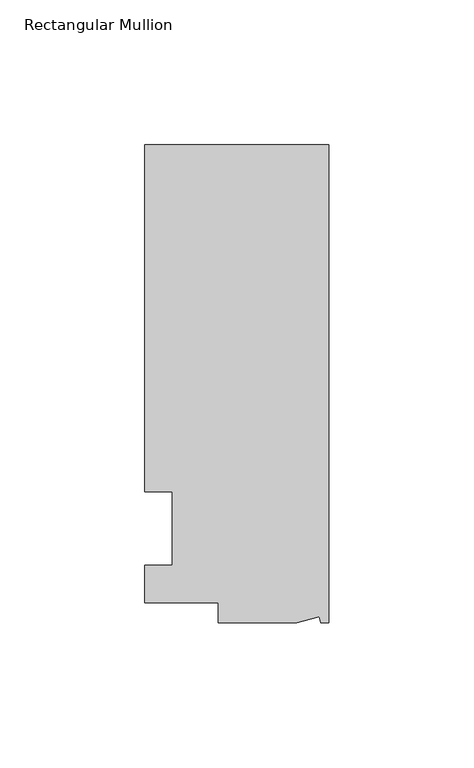
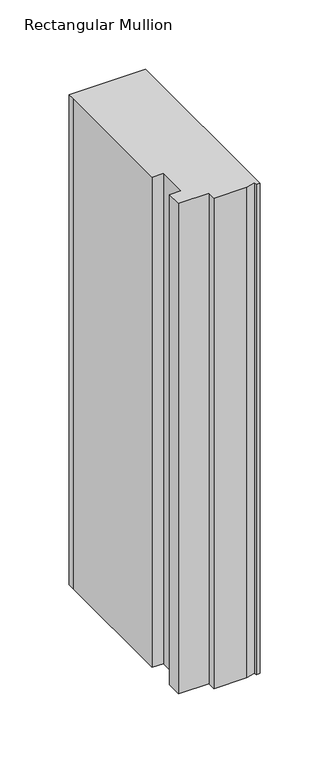
"""IFC4 building model written with IfcOpenShell, lengths in millimetres: member geometry, Rectangular Mullion."""

from ifc_helpers import new_model, si_unit, frame, origin, place, context, project, spatial, polyline, outline, extrude, source, transform, mapped, element, save


def rectangular_mullion_8d4f013d(model_context):
    return source(origin(), model_context, "Body", "SweptSolid", [
        extrude(outline(polyline([(0.0, 132.5561012), (0.0, -32.5438988), (-2.7616541, -32.5438988), (-3.3341886, -30.4622958), (-11.121847, -32.5438988), (-38.1, -32.5438988), (-38.1, -25.5842988), (-63.5, -25.5842988), (-63.5, -12.5945801), (-53.975, -12.5945801), (-53.975, 12.8054199), (-63.5, 12.8054199), (-63.5, 126.2061012), (-63.5, 132.5561012), (0.0, 132.5561012)])), frame((0.0, 0.0, -431.8), z_axis=(0.0, 0.0, 1.0), x_axis=(1.0, 0.0, 0.0)), (0.0, 0.0, 1.0), 431.8),
    ])


if __name__ == "__main__":
    model = new_model("IFC4")
    model_context = context("Model", 3, world=origin())
    ifc_project = project(units=[si_unit("LENGTHUNIT", "METRE", prefix="MILLI")], contexts=[model_context])
    site = spatial("IfcSite", under=ifc_project)
    building = spatial("IfcBuilding", under=site)
    placement = place(None, origin())
    rectangular_mullion_shape = rectangular_mullion_8d4f013d(model_context)
    element("IfcMember", 1, ObjectType="Rectangular Mullion", at=placement, inside=building, context=model_context, shape_type="MappedRepresentation", body=[
        mapped(rectangular_mullion_shape, transform((0.0, 0.0, 0.0), x_axis=(1.0, 0.0, 0.0), y_axis=(0.0, 1.0, 0.0), z_axis=(0.0, 0.0, 1.0))),
    ])
    save(model, "model.ifc")
